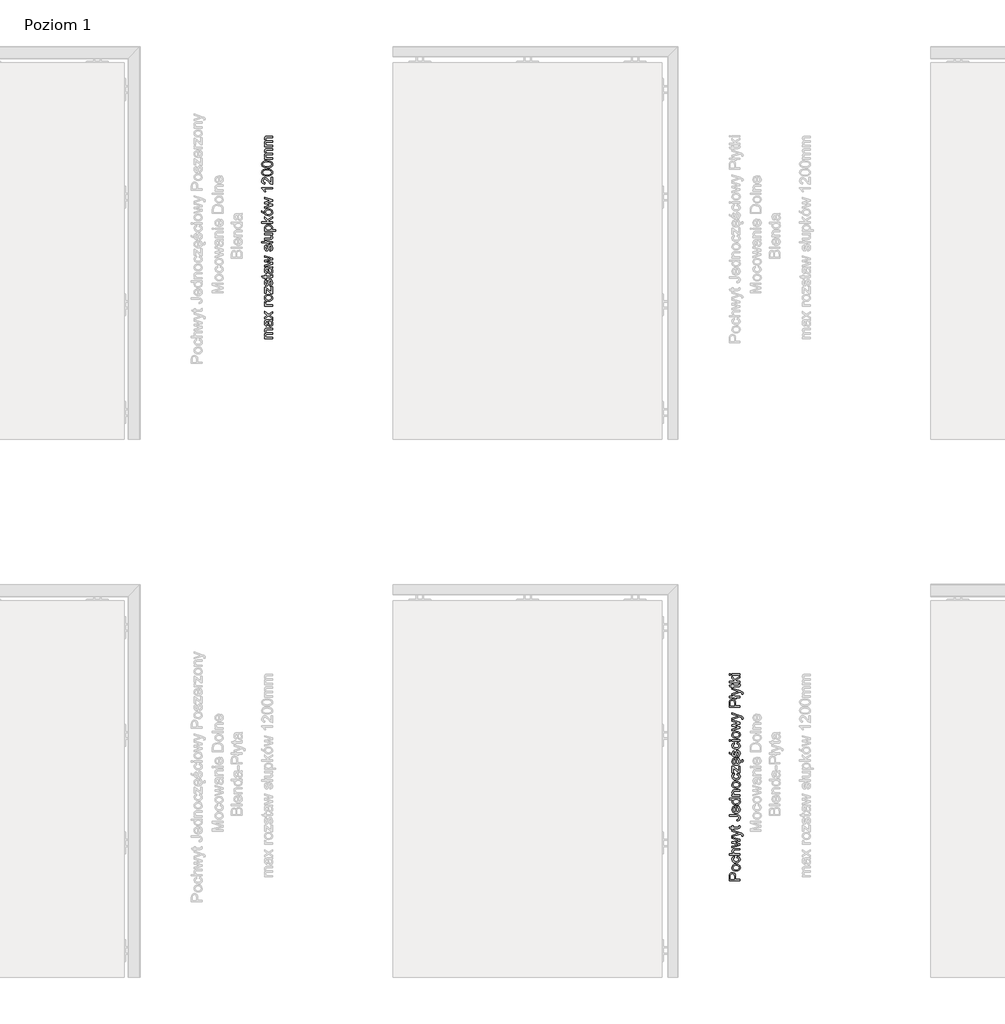
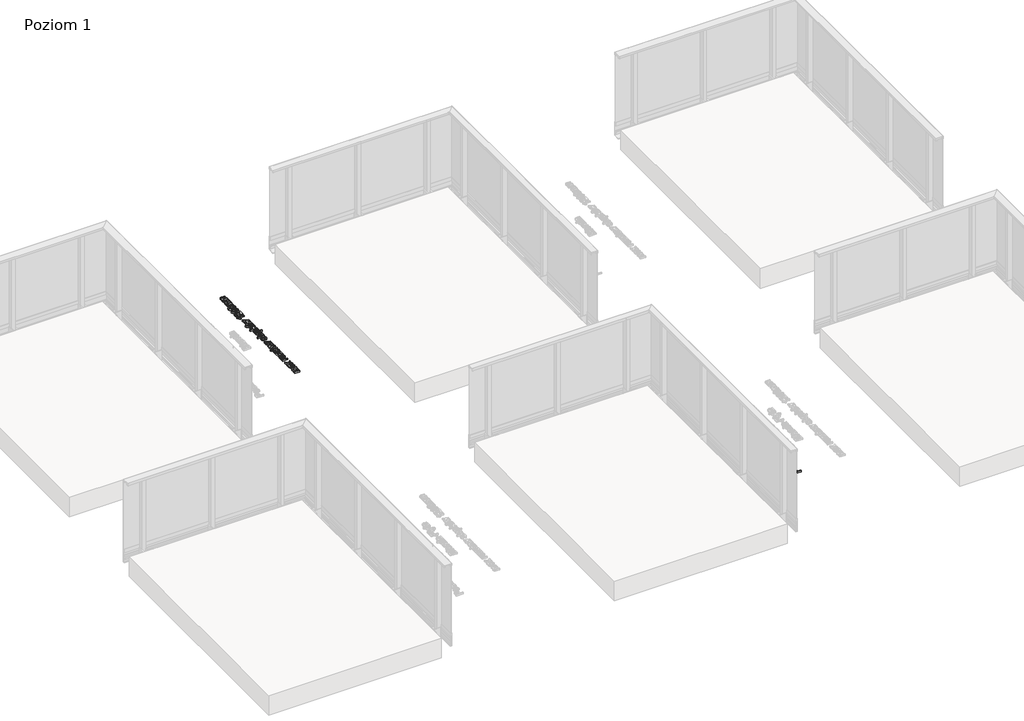
# One storey, part 17 of 35: 2 proxies.
"""IFC4 building model written with IfcOpenShell, lengths in millimetres."""

from ifc_helpers import new_model, si_unit, origin, origin_with_axes, place, context, project, spatial, polyline, outline, extrude, element, save

model = new_model("IFC4")

# Units and contexts
model_context = context("Model", 3, world=origin())
ifc_project = project(units=[si_unit("LENGTHUNIT", "METRE", prefix="MILLI")], contexts=[model_context])

# Site, building, storey
site = spatial("IfcSite", under=ifc_project)
building = spatial("IfcBuilding", under=site)
storey = spatial("IfcBuildingStorey", under=building, Name="Poziom 1", Elevation=0.0)

# Proxies
placement = place(None, origin())
element("IfcBuildingElementProxy", 1, Name="Generic Models", at=placement, inside=storey, context=model_context, shape_type="SweptSolid", body=[
    extrude(outline(polyline([(10115.5993765, -8730.4161008), (10015.1430664, -8730.4161008), (10015.1430664, -8693.1864429), (10016.0995596, -8678.1768575), (10020.7961864, -8665.975438), (10030.508271, -8658.0659751), (10044.205744, -8655.0738682), (10056.0454129, -8657.0941535), (10065.9107817, -8663.1550093), (10072.5694458, -8674.4888405), (10074.7890005, -8692.3280515), (10074.7890005, -8717.859062), (10115.5993765, -8717.859062), (10115.5993765, -8730.4161008)]), holes=[polyline([(10062.2319618, -8717.859062), (10062.2319618, -8691.5922876), (10057.6211741, -8673.1000859), (10052.0722873, -8668.9982017), (10044.6472024, -8667.6309069), (10034.2484047, -8670.8560058), (10028.5584965, -8679.3295544), (10027.7001052, -8691.8865932), (10027.7001052, -8717.859062), (10062.2319618, -8717.859062)])]), origin_with_axes(), (0.0, 0.0, 1.0), 20.0),
    extrude(outline(polyline([(10078.7130752, -8642.5168294), (10060.9259807, -8639.800634), (10048.4241242, -8631.6520478), (10042.298889, -8621.5843439), (10040.2571439, -8609.5300772), (10042.7434131, -8596.338442), (10050.2022205, -8585.8016885), (10062.0449551, -8578.894704), (10077.6830056, -8576.5923759), (10100.0257054, -8580.6636033), (10112.6685833, -8592.5216663), (10117.1690064, -8609.5300772), (10114.6919343, -8622.8811279), (10107.260718, -8633.4056187), (10095.1696631, -8640.2390267), (10078.7130752, -8642.5168294)]), holes=[polyline([(10078.6885497, -8629.9597906), (10090.0530377, -8628.5066567), (10098.1495072, -8624.1472551), (10102.9963525, -8617.5866929), (10104.6119676, -8609.5300772), (10102.9871555, -8601.5102497), (10098.112719, -8594.9619502), (10089.9089505, -8590.6025485), (10078.2961422, -8589.1494146), (10067.2627481, -8590.6117456), (10059.2766431, -8594.9987384), (10054.4297978, -8601.5562349), (10052.8141827, -8609.5300772), (10054.4236664, -8617.5866929), (10059.2521176, -8624.1472551), (10067.3301931, -8628.5066567), (10078.6885497, -8629.9597906)])]), origin_with_axes(), (0.0, 0.0, 1.0), 20.0),
    extrude(outline(polyline([(10088.9156692, -8515.3768119), (10090.485299, -8502.8197731), (10101.6535832, -8506.3207834), (10110.0934093, -8512.8997398), (10115.4001071, -8521.9373741), (10117.1690064, -8532.8144184), (10114.7011313, -8546.1716005), (10107.2975062, -8556.6163835), (10095.2830934, -8563.3578211), (10078.9828553, -8565.6049669), (10058.1239462, -8561.7667315), (10044.7207788, -8550.068084), (10040.2571439, -8532.9860967), (10041.7899856, -8522.3757668), (10046.3885105, -8513.8930212), (10053.8074641, -8507.8076398), (10063.8015916, -8504.3894029), (10065.3712215, -8516.9464417), (10055.9657051, -8522.77124), (10052.8141827, -8532.8879948), (10054.3654184, -8541.0028585), (10059.0191257, -8547.4438591), (10067.0266904, -8551.6469109), (10078.6394988, -8553.0479282), (10090.4086569, -8551.6775677), (10098.4438128, -8547.5664864), (10103.0699289, -8541.2419818), (10104.6119676, -8533.2313514), (10100.7614694, -8521.3978139), (10088.9156692, -8515.3768119)])), origin_with_axes(), (0.0, 0.0, 1.0), 20.0),
    extrude(outline(polyline([(10115.5993765, -8491.8323642), (10015.1430664, -8491.8323642), (10015.1430664, -8479.2753254), (10052.0784187, -8479.2753254), (10043.2124626, -8469.483533), (10040.2571439, -8457.4231349), (10043.4822427, -8443.3209917), (10052.3972498, -8434.761604), (10068.9028886, -8432.18643), (10115.5993765, -8432.18643), (10115.5993765, -8444.7434688), (10070.2027383, -8444.7434688), (10056.9589865, -8448.7411198), (10052.8141827, -8460.0718853), (10055.6100859, -8470.3603184), (10063.188455, -8477.227449), (10076.4076813, -8479.2753254), (10115.5993765, -8479.2753254), (10115.5993765, -8491.8323642)])), origin_with_axes(), (0.0, 0.0, 1.0), 20.0),
    extrude(outline(polyline([(10115.5993765, -8402.682294), (10041.8267738, -8425.1230957), (10041.8267738, -8412.0755476), (10084.8689672, -8399.3468306), (10100.2464346, -8395.5453833), (10085.4330529, -8392.4306491), (10041.8267738, -8382.3016315), (10041.8267738, -8367.341097), (10085.3104256, -8357.2611303), (10098.7258557, -8354.4897526), (10084.5746616, -8350.5166271), (10041.8267738, -8337.7633846), (10041.8267738, -8324.6667856), (10115.5993765, -8347.2792655), (10115.5993765, -8362.4605292), (10072.3364539, -8372.0990375), (10058.8474474, -8374.8949406), (10115.5993765, -8387.3293521), (10115.5993765, -8402.682294)])), origin_with_axes(), (0.0, 0.0, 1.0), 20.0),
    extrude(outline(polyline([(10143.8527138, -8316.0338214), (10131.7616589, -8317.6034513), (10132.8653048, -8311.22683), (10131.479616, -8305.2671417), (10127.616855, -8301.6128472), (10118.3707542, -8298.1792819), (10115.3295964, -8297.1982633), (10041.8267738, -8323.8819706), (10041.8267738, -8310.6382188), (10082.7843026, -8296.4870247), (10099.1673141, -8291.557406), (10084.6972889, -8286.6277873), (10041.8267738, -8272.0841857), (10041.8267738, -8258.9385358), (10117.3652101, -8284.616699), (10133.7482216, -8291.2876259), (10142.601915, -8298.5716894), (10145.4223436, -8308.3573504), (10143.8527138, -8316.0338214)])), origin_with_axes(), (0.0, 0.0, 1.0), 20.0),
    extrude(outline(polyline([(10105.1270024, -8221.8560306), (10115.9672585, -8220.2864008), (10117.1690064, -8229.6796544), (10115.0843417, -8240.2010795), (10109.6151627, -8245.4495293), (10095.3658668, -8246.9701082), (10054.3838125, -8246.9701082), (10054.3838125, -8256.3878873), (10041.8267738, -8256.3878873), (10041.8267738, -8246.9701082), (10023.8986579, -8246.9701082), (10016.5164925, -8234.4130694), (10041.8267738, -8234.4130694), (10041.8267738, -8221.8560306), (10054.3838125, -8221.8560306), (10054.3838125, -8234.4130694), (10094.9979848, -8234.4130694), (10101.4727079, -8233.7508818), (10103.765839, -8231.6049035), (10104.6119676, -8227.3252096), (10105.1270024, -8221.8560306)])), origin_with_axes(), (0.0, 0.0, 1.0), 20.0),
    extrude(outline(polyline([(10087.3950902, -8174.7671353), (10085.7764095, -8162.2100965), (10100.6143166, -8157.9181399), (10104.6119676, -8147.3231384), (10102.343362, -8138.7269625), (10096.1629445, -8133.7482928), (10083.7162703, -8132.3871294), (10015.1430664, -8132.3871294), (10015.1430664, -8119.8300907), (10083.4955411, -8119.8300907), (10103.0055496, -8122.8589857), (10113.5392374, -8132.4729686), (10117.1690064, -8147.9117496), (10115.2958739, -8159.5184266), (10109.6764764, -8168.0471575), (10100.3598649, -8173.2220309), (10087.3950902, -8174.7671353)])), origin_with_axes(), (0.0, 0.0, 1.0), 20.0),
    extrude(outline(polyline([(10093.6245587, -8047.7742705), (10095.1941885, -8035.4624864), (10104.4709462, -8039.8985301), (10111.4055218, -8046.9771929), (10115.7281352, -8056.5390591), (10117.1690064, -8068.4247132), (10114.6827372, -8083.1583871), (10107.2239298, -8094.4952839), (10095.276962, -8101.7241651), (10079.3262118, -8104.1337922), (10062.8389671, -8101.6996397), (10050.5087889, -8094.3971821), (10042.8200552, -8083.2135694), (10040.2571439, -8069.1359517), (10042.8139238, -8055.4967267), (10050.4842634, -8044.5982226), (10062.7899161, -8037.4521149), (10079.2526354, -8035.070079), (10082.6371498, -8035.1436554), (10082.6371498, -8091.5767534), (10092.0365347, -8089.403184), (10098.9465849, -8084.3540036), (10103.1956219, -8077.0668744), (10104.6119676, -8068.1794585), (10101.9877427, -8055.8676744), (10093.6245587, -8047.7742705)]), holes=[polyline([(10070.080111, -8091.5767534), (10070.080111, -8047.6271177), (10058.7002946, -8052.6548383), (10054.2857107, -8059.97569), (10052.8141827, -8069.1850026), (10057.5108095, -8084.6483092), (10063.0014483, -8089.5135486), (10070.080111, -8091.5767534)])]), origin_with_axes(), (0.0, 0.0, 1.0), 20.0),
    extrude(outline(polyline([(10115.5993765, -7976.9937747), (10103.7535763, -7976.9937747), (10113.8151489, -7985.3017764), (10117.1690064, -7996.785826), (10112.312964, -8012.3349717), (10098.7626439, -8023.3223806), (10078.7866516, -8027.2219297), (10058.7983965, -8023.6289489), (10045.0396099, -8012.8622692), (10040.2571439, -7996.8348769), (10043.6784465, -7985.2588568), (10052.568928, -7976.9937747), (10015.1430664, -7976.9937747), (10015.1430664, -7964.4367359), (10115.5993765, -7964.4367359), (10115.5993765, -7976.9937747)]), holes=[polyline([(10078.7376006, -8014.664891), (10090.0959572, -8013.2485453), (10098.1740327, -8008.9995082), (10103.0024839, -8002.8252221), (10104.6119676, -7995.6331291), (10103.0760603, -7988.4441018), (10098.4683383, -7982.4261655), (10090.7029625, -7978.3518724), (10079.6940938, -7976.9937747), (10067.6582212, -7978.3763978), (10059.3134313, -7982.5242673), (10054.4389948, -7988.6954878), (10052.8141827, -7996.1481639), (10054.3746155, -8003.4138333), (10059.0559139, -8009.3673902), (10067.0972012, -8013.3405158), (10078.7376006, -8014.664891)])]), origin_with_axes(), (0.0, 0.0, 1.0), 20.0),
    extrude(outline(polyline([(10115.5993765, -7945.6011777), (10041.8267738, -7945.6011777), (10041.8267738, -7933.044139), (10052.1274696, -7933.044139), (10043.2247253, -7923.4424189), (10040.2571439, -7910.3335571), (10042.6483769, -7898.4754942), (10048.9268963, -7890.3820903), (10058.1607344, -7886.6174312), (10070.3008402, -7885.9552436), (10115.5993765, -7885.9552436), (10115.5993765, -7898.5122824), (10071.9930974, -7898.5122824), (10060.8830611, -7899.9592849), (10055.0092119, -7905.0728446), (10052.8141827, -7913.693546), (10057.7438014, -7927.3174426), (10064.8868435, -7931.6124649), (10076.4567322, -7933.044139), (10115.5993765, -7933.044139), (10115.5993765, -7945.6011777)])), origin_with_axes(), (0.0, 0.0, 1.0), 20.0),
    extrude(outline(polyline([(10078.7130752, -7871.828575), (10060.9259807, -7869.1123796), (10048.4241242, -7860.9637934), (10042.298889, -7850.8960894), (10040.2571439, -7838.8418227), (10042.7434131, -7825.6501875), (10050.2022205, -7815.113434), (10062.0449551, -7808.2064496), (10077.6830056, -7805.9041214), (10100.0257054, -7809.9753488), (10112.6685833, -7821.8334118), (10117.1690064, -7838.8418227), (10114.6919343, -7852.1928735), (10107.260718, -7862.7173642), (10095.1696631, -7869.5507723), (10078.7130752, -7871.828575)]), holes=[polyline([(10078.6885497, -7859.2715362), (10090.0530377, -7857.8184023), (10098.1495072, -7853.4590007), (10102.9963525, -7846.8984384), (10104.6119676, -7838.8418227), (10102.9871555, -7830.8219952), (10098.112719, -7824.2736957), (10089.9089505, -7819.9142941), (10078.2961422, -7818.4611602), (10067.2627481, -7819.9234911), (10059.2766431, -7824.3104839), (10054.4297978, -7830.8679805), (10052.8141827, -7838.8418227), (10054.4236664, -7846.8984384), (10059.2521176, -7853.4590007), (10067.3301931, -7857.8184023), (10078.6885497, -7859.2715362)])]), origin_with_axes(), (0.0, 0.0, 1.0), 20.0),
    extrude(outline(polyline([(10088.9156692, -7744.6885574), (10090.485299, -7732.1315187), (10101.6535832, -7735.632529), (10110.0934093, -7742.2114853), (10115.4001071, -7751.2491197), (10117.1690064, -7762.126164), (10114.7011313, -7775.4833461), (10107.2975062, -7785.9281291), (10095.2830934, -7792.6695667), (10078.9828553, -7794.9167125), (10058.1239462, -7791.078477), (10044.7207788, -7779.3798296), (10040.2571439, -7762.2978423), (10041.7899856, -7751.6875124), (10046.3885105, -7743.2047667), (10053.8074641, -7737.1193854), (10063.8015916, -7733.7011485), (10065.3712215, -7746.2581873), (10055.9657051, -7752.0829855), (10052.8141827, -7762.1997404), (10054.3654184, -7770.3146041), (10059.0191257, -7776.7556047), (10067.0266904, -7780.9586565), (10078.6394988, -7782.3596737), (10090.4086569, -7780.9893133), (10098.4438128, -7776.878232), (10103.0699289, -7770.5537274), (10104.6119676, -7762.5430969), (10100.7614694, -7750.7095594), (10088.9156692, -7744.6885574)])), origin_with_axes(), (0.0, 0.0, 1.0), 20.0),
    extrude(outline(polyline([(10115.5993765, -7728.992259), (10103.7781018, -7728.992259), (10054.3838125, -7685.6557599), (10054.3838125, -7698.4825788), (10054.3838125, -7725.8529993), (10041.8267738, -7725.8529993), (10041.8267738, -7667.776695), (10052.4953516, -7667.776695), (10096.32236, -7706.2081007), (10103.0423378, -7712.0942127), (10103.0423378, -7697.5751366), (10103.0423378, -7666.2070651), (10115.5993765, -7666.2070651), (10115.5993765, -7728.992259)])), origin_with_axes(), (0.0, 0.0, 1.0), 20.0),
    extrude(outline(polyline([(10093.6245587, -7601.9993942), (10095.1941885, -7589.6876101), (10104.4709462, -7594.1236539), (10111.4055218, -7601.2023166), (10115.768218, -7611.0948233), (10121.6694295, -7616.9721914), (10128.9902812, -7619.1181697), (10133.9689508, -7617.5853281), (10136.0045645, -7612.6189212), (10135.5631061, -7609.4796615), (10134.3858838, -7606.561131), (10143.0433734, -7606.561131), (10145.4223436, -7615.3657734), (10144.4167995, -7621.1415207), (10141.6454218, -7625.2617991), (10137.5864571, -7627.7266084), (10132.6691011, -7628.5359488), (10123.7540941, -7626.0834022), (10116.8755159, -7620.228853), (10117.1690064, -7622.6498369), (10114.6827372, -7637.3835108), (10107.2239298, -7648.7204076), (10095.276962, -7655.9492888), (10079.3262118, -7658.3589159), (10062.8389671, -7655.9247634), (10050.5087889, -7648.6223058), (10042.8200552, -7637.4386931), (10040.2571439, -7623.3610754), (10042.8139238, -7609.7218505), (10050.4842634, -7598.8233463), (10062.7899161, -7591.6772386), (10079.2526354, -7589.2952027), (10082.6371498, -7589.3687791), (10082.6371498, -7645.8018771), (10092.0365347, -7643.6283077), (10098.9465849, -7638.5791273), (10103.1956219, -7631.2919981), (10104.6119676, -7622.4045822), (10101.9877427, -7610.0927981), (10093.6245587, -7601.9993942)]), holes=[polyline([(10070.080111, -7645.8018771), (10070.080111, -7601.8522414), (10058.7002946, -7606.879962), (10054.2857107, -7614.2008137), (10052.8141827, -7623.4101264), (10057.5108095, -7638.8734329), (10063.0014483, -7643.7386723), (10070.080111, -7645.8018771)])]), origin_with_axes(), (0.0, 0.0, 1.0), 20.0),
    extrude(outline(polyline([(10093.6245587, -7581.4470534), (10092.0549288, -7568.8900147), (10101.3746061, -7563.0774792), (10104.6119676, -7549.7601509), (10101.6443862, -7536.9578575), (10094.6791537, -7532.7885282), (10089.0382965, -7536.982383), (10085.4575784, -7549.9073037), (10079.3139491, -7568.8164383), (10072.1402502, -7577.0692577), (10062.0112326, -7579.8774236), (10052.6547672, -7577.6210807), (10045.5055937, -7571.4651886), (10041.7899856, -7563.4821493), (10040.2571439, -7552.6786814), (10042.7219533, -7537.3993159), (10049.3928801, -7527.6872312), (10060.6623319, -7523.3707491), (10062.2319618, -7535.9277879), (10055.3035175, -7540.6489402), (10052.8141827, -7551.6976628), (10055.1931529, -7563.7151413), (10060.7359083, -7567.3203848), (10064.3902028, -7565.8243314), (10067.1615805, -7561.1399673), (10069.8348563, -7550.3242367), (10075.7454937, -7531.8933487), (10082.440946, -7523.3339609), (10093.3547786, -7520.2314894), (10105.3722571, -7523.8735212), (10114.0910604, -7534.3826835), (10117.1690064, -7549.9318292), (10115.6852157, -7562.5931012), (10111.2338435, -7571.8330706), (10103.8639409, -7578.0012254), (10093.6245587, -7581.4470534)])), origin_with_axes(), (0.0, 0.0, 1.0), 20.0),
    extrude(outline(polyline([(10033.9786245, -7562.6114953), (10015.1430664, -7553.1937162), (10015.1430664, -7537.4974178), (10033.9786245, -7553.1937162), (10033.9786245, -7562.6114953)])), origin_with_axes(), (0.0, 0.0, 1.0), 20.0),
    extrude(outline(polyline([(10088.9156692, -7459.0159254), (10090.485299, -7446.4588867), (10101.6535832, -7449.959897), (10110.0934093, -7456.5388533), (10115.4001071, -7465.5764877), (10117.1690064, -7476.453532), (10114.7011313, -7489.8107141), (10107.2975062, -7500.2554971), (10095.2830934, -7506.9969347), (10078.9828553, -7509.2440805), (10058.1239462, -7505.405845), (10044.7207788, -7493.7071976), (10040.2571439, -7476.6252103), (10041.7899856, -7466.0148804), (10046.3885105, -7457.5321347), (10053.8074641, -7451.4467534), (10063.8015916, -7448.0285165), (10065.3712215, -7460.5855553), (10055.9657051, -7466.4103536), (10052.8141827, -7476.5271084), (10054.3654184, -7484.6419721), (10059.0191257, -7491.0829727), (10067.0266904, -7495.2860245), (10078.6394988, -7496.6870418), (10090.4086569, -7495.3166813), (10098.4438128, -7491.2056), (10103.0699289, -7484.8810954), (10104.6119676, -7476.8704649), (10100.7614694, -7465.0369274), (10088.9156692, -7459.0159254)])), origin_with_axes(), (0.0, 0.0, 1.0), 20.0),
    extrude(outline(polyline([(10027.7001052, -7435.4714778), (10015.1430664, -7435.4714778), (10015.1430664, -7422.914439), (10027.7001052, -7422.914439), (10027.7001052, -7435.4714778)])), origin_with_axes(), (0.0, 0.0, 1.0), 20.0),
    extrude(outline(polyline([(10115.5993765, -7435.4714778), (10041.8267738, -7435.4714778), (10041.8267738, -7422.914439), (10115.5993765, -7422.914439), (10115.5993765, -7435.4714778)])), origin_with_axes(), (0.0, 0.0, 1.0), 20.0),
    extrude(outline(polyline([(10078.7130752, -7407.2181405), (10060.9259807, -7404.5019451), (10048.4241242, -7396.3533589), (10042.298889, -7386.285655), (10040.2571439, -7374.2313883), (10042.7434131, -7361.0397531), (10050.2022205, -7350.5029996), (10062.0449551, -7343.5960151), (10077.6830056, -7341.293687), (10100.0257054, -7345.3649144), (10112.6685833, -7357.2229774), (10117.1690064, -7374.2313883), (10114.6919343, -7387.582439), (10107.260718, -7398.1069298), (10095.1696631, -7404.9403378), (10078.7130752, -7407.2181405)]), holes=[polyline([(10078.6885497, -7394.6611018), (10090.0530377, -7393.2079679), (10098.1495072, -7388.8485662), (10102.9963525, -7382.288004), (10104.6119676, -7374.2313883), (10102.9871555, -7366.2115608), (10098.112719, -7359.6632613), (10089.9089505, -7355.3038596), (10078.2961422, -7353.8507258), (10067.2627481, -7355.3130567), (10059.2766431, -7359.7000495), (10054.4297978, -7366.257546), (10052.8141827, -7374.2313883), (10054.4236664, -7382.288004), (10059.2521176, -7388.8485662), (10067.3301931, -7393.2079679), (10078.6885497, -7394.6611018)])]), origin_with_axes(), (0.0, 0.0, 1.0), 20.0),
    extrude(outline(polyline([(10115.5993765, -7314.9288107), (10041.8267738, -7337.3696124), (10041.8267738, -7324.3220643), (10084.8689672, -7311.5933472), (10100.2464346, -7307.7919), (10085.4330529, -7304.6771657), (10041.8267738, -7294.5481481), (10041.8267738, -7279.5876137), (10085.3104256, -7269.507647), (10098.7258557, -7266.7362693), (10084.5746616, -7262.7631438), (10041.8267738, -7250.0099013), (10041.8267738, -7236.9133022), (10115.5993765, -7259.5257822), (10115.5993765, -7274.7070459), (10072.3364539, -7284.3455541), (10058.8474474, -7287.1414573), (10115.5993765, -7299.5758687), (10115.5993765, -7314.9288107)])), origin_with_axes(), (0.0, 0.0, 1.0), 20.0),
    extrude(outline(polyline([(10143.8527138, -7228.2803381), (10131.7616589, -7229.8499679), (10132.8653048, -7223.4733467), (10131.479616, -7217.5136583), (10127.616855, -7213.8593639), (10118.3707542, -7210.4257986), (10115.3295964, -7209.4447799), (10041.8267738, -7236.1284873), (10041.8267738, -7222.8847355), (10082.7843026, -7208.7335414), (10099.1673141, -7203.8039227), (10084.6972889, -7198.8743039), (10041.8267738, -7184.3307024), (10041.8267738, -7171.1850524), (10117.3652101, -7196.8632157), (10133.7482216, -7203.5341425), (10142.601915, -7210.818206), (10145.4223436, -7220.6038671), (10143.8527138, -7228.2803381)])), origin_with_axes(), (0.0, 0.0, 1.0), 20.0),
    extrude(outline(polyline([(10115.5993765, -7119.9758787), (10015.1430664, -7119.9758787), (10015.1430664, -7082.7462208), (10016.0995596, -7067.7366354), (10020.7961864, -7055.5352159), (10030.508271, -7047.625753), (10044.205744, -7044.6336461), (10056.0454129, -7046.6539314), (10065.9107817, -7052.7147872), (10072.5694458, -7064.0486184), (10074.7890005, -7081.8878295), (10074.7890005, -7107.4188399), (10115.5993765, -7107.4188399), (10115.5993765, -7119.9758787)]), holes=[polyline([(10062.2319618, -7107.4188399), (10062.2319618, -7081.1520655), (10057.6211741, -7062.6598638), (10052.0722873, -7058.5579796), (10044.6472024, -7057.1906848), (10034.2484047, -7060.4157837), (10028.5584965, -7068.8893323), (10027.7001052, -7081.4463711), (10027.7001052, -7107.4188399), (10062.2319618, -7107.4188399)])]), origin_with_axes(), (0.0, 0.0, 1.0), 20.0),
    extrude(outline(polyline([(10075.8926465, -7028.9373476), (10083.4219647, -7038.3551267), (10069.2952961, -7038.3551267), (10061.7659779, -7028.9373476), (10015.1430664, -7028.9373476), (10015.1430664, -7016.3803089), (10051.7105367, -7016.3803089), (10044.1812185, -7006.9625298), (10058.3078872, -7006.9625298), (10065.8372053, -7016.3803089), (10115.5993765, -7016.3803089), (10115.5993765, -7028.9373476), (10075.8926465, -7028.9373476)])), origin_with_axes(), (0.0, 0.0, 1.0), 20.0),
    extrude(outline(polyline([(10143.8527138, -6997.5447507), (10131.7616589, -6999.1143805), (10132.8653048, -6992.7377593), (10131.479616, -6986.778071), (10127.616855, -6983.1237765), (10118.3707542, -6979.6902112), (10115.3295964, -6978.7091925), (10041.8267738, -7005.3928999), (10041.8267738, -6992.1491481), (10082.7843026, -6977.997954), (10099.1673141, -6973.0683353), (10084.6972889, -6968.1387166), (10041.8267738, -6953.595115), (10041.8267738, -6940.449465), (10117.3652101, -6966.1276283), (10133.7482216, -6972.7985552), (10142.601915, -6980.0826187), (10145.4223436, -6989.8682797), (10143.8527138, -6997.5447507)])), origin_with_axes(), (0.0, 0.0, 1.0), 20.0),
    extrude(outline(polyline([(10105.1270024, -6903.3669599), (10115.9672585, -6901.7973301), (10117.1690064, -6911.1905837), (10115.0843417, -6921.7120088), (10109.6151627, -6926.9604586), (10095.3658668, -6928.4810375), (10054.3838125, -6928.4810375), (10054.3838125, -6937.8988165), (10041.8267738, -6937.8988165), (10041.8267738, -6928.4810375), (10023.8986579, -6928.4810375), (10016.5164925, -6915.9239987), (10041.8267738, -6915.9239987), (10041.8267738, -6903.3669599), (10054.3838125, -6903.3669599), (10054.3838125, -6915.9239987), (10094.9979848, -6915.9239987), (10101.4727079, -6915.2618111), (10103.765839, -6913.1158328), (10104.6119676, -6908.8361389), (10105.1270024, -6903.3669599)])), origin_with_axes(), (0.0, 0.0, 1.0), 20.0),
    extrude(outline(polyline([(10115.5993765, -6890.8099212), (10015.1430664, -6890.8099212), (10015.1430664, -6878.2528824), (10069.1236178, -6878.2528824), (10041.8267738, -6850.097647), (10041.8267738, -6832.7336169), (10069.4669743, -6861.2322088), (10115.5993765, -6831.163987), (10115.5993765, -6845.8302159), (10078.1980404, -6870.2330549), (10085.9726132, -6878.2528824), (10115.5993765, -6878.2528824), (10115.5993765, -6890.8099212)])), origin_with_axes(), (0.0, 0.0, 1.0), 20.0),
    extrude(outline(polyline([(10027.7001052, -6820.1765781), (10015.1430664, -6820.1765781), (10015.1430664, -6807.6195393), (10027.7001052, -6807.6195393), (10027.7001052, -6820.1765781)])), origin_with_axes(), (0.0, 0.0, 1.0), 20.0),
    extrude(outline(polyline([(10115.5993765, -6820.1765781), (10041.8267738, -6820.1765781), (10041.8267738, -6807.6195393), (10115.5993765, -6807.6195393), (10115.5993765, -6820.1765781)])), origin_with_axes(), (0.0, 0.0, 1.0), 20.0),
])
element("IfcBuildingElementProxy", 2, Name="Generic Models", at=placement, inside=storey, context=model_context, shape_type="SweptSolid", body=[
    extrude(outline(polyline([(5769.7173752, -3695.0976583), (5695.9447724, -3695.0976583), (5695.9447724, -3682.5406196), (5708.0848783, -3682.5406196), (5698.1398017, -3673.9076554), (5694.3751426, -3661.6203968), (5698.2133781, -3649.0388325), (5708.9677951, -3642.122651), (5698.0233057, -3632.3247272), (5694.3751426, -3619.9516294), (5695.8926558, -3610.5123906), (5700.4451955, -3603.5318297), (5708.155389, -3599.2184133), (5719.1458636, -3597.7806079), (5769.7173752, -3597.7806079), (5769.7173752, -3610.3376466), (5724.5414662, -3610.3376466), (5714.0568293, -3611.5026063), (5708.8942187, -3615.7209865), (5706.9321813, -3622.8946854), (5711.959902, -3635.2432577), (5718.5020701, -3638.9312747), (5728.0731333, -3640.1606137), (5769.7173752, -3640.1606137), (5769.7173752, -3652.7176525), (5723.1435146, -3652.7176525), (5710.9788833, -3655.6239202), (5706.9321813, -3665.1520639), (5709.6299826, -3674.4472157), (5717.5271828, -3680.6276332), (5732.5122427, -3682.5406196), (5769.7173752, -3682.5406196), (5769.7173752, -3695.0976583)])), origin_with_axes(), (0.0, 0.0, 1.0), 20.0),
    extrude(outline(polyline([(5760.2995961, -3531.8561543), (5768.8099329, -3544.0330484), (5771.287005, -3557.4852667), (5769.797083, -3567.9791006), (5765.3273167, -3575.7199509), (5758.5398939, -3580.4932198), (5750.0970021, -3582.0843094), (5740.1641882, -3579.6808137), (5732.9537011, -3573.3655061), (5728.8334228, -3564.5731264), (5726.9449619, -3553.7083448), (5722.6284798, -3531.9297307), (5719.8325766, -3531.8561543), (5710.5619504, -3535.3142451), (5706.9321813, -3549.195659), (5709.3479398, -3561.8998506), (5717.9195903, -3567.9576408), (5716.3499604, -3580.5146796), (5704.0872273, -3575.0822888), (5696.9012656, -3564.1439308), (5694.3751426, -3547.5769783), (5696.60696, -3532.3589264), (5702.2110291, -3523.7627504), (5710.7336286, -3519.9122522), (5721.7210376, -3519.2991156), (5737.3437596, -3519.2991156), (5759.1591619, -3518.6614534), (5769.7173752, -3516.1598559), (5769.7173752, -3528.7168946), (5760.2995961, -3531.8561543)]), holes=[polyline([(5735.1855186, -3531.8561543), (5739.0360168, -3552.1141895), (5741.0716305, -3562.9176575), (5744.3825685, -3567.810488), (5749.2140853, -3569.5272706), (5756.0076395, -3565.787137), (5758.7299663, -3554.8119908), (5755.7255966, -3542.1077993), (5748.4537959, -3533.9162935), (5738.7417112, -3531.9297307), (5735.1855186, -3531.8561543)])]), origin_with_axes(), (0.0, 0.0, 1.0), 20.0),
    extrude(outline(polyline([(5769.7173752, -3509.8813365), (5732.6348701, -3483.0504763), (5695.9447724, -3508.3117066), (5695.9447724, -3493.2040194), (5713.6031082, -3481.0148626), (5721.9417668, -3475.3249544), (5715.1236871, -3470.3953357), (5695.9447724, -3456.5139217), (5695.9447724, -3441.4062344), (5732.6348701, -3467.942789), (5769.7173752, -3442.3872531), (5769.7173752, -3457.4949404), (5747.4237263, -3472.8724078), (5743.3524989, -3475.6928364), (5769.7173752, -3494.7736492), (5769.7173752, -3509.8813365)])), origin_with_axes(), (0.0, 0.0, 1.0), 20.0),
    extrude(outline(polyline([(5769.7173752, -3392.159098), (5695.9447724, -3392.159098), (5695.9447724, -3381.1716891), (5706.858605, -3381.1716891), (5696.8031637, -3373.3725908), (5694.3751426, -3365.5244416), (5698.2501663, -3352.9183519), (5709.5073553, -3357.1122066), (5706.9321813, -3365.9413745), (5709.4092535, -3373.041497), (5716.276384, -3377.5664456), (5730.9426129, -3379.6020593), (5769.7173752, -3379.6020593), (5769.7173752, -3392.159098)])), origin_with_axes(), (0.0, 0.0, 1.0), 20.0),
    extrude(outline(polyline([(5732.8310738, -3348.2094623), (5715.0439793, -3345.4932669), (5702.5421229, -3337.3446807), (5696.4168877, -3327.2769768), (5694.3751426, -3315.2227101), (5696.8614117, -3302.0310749), (5704.3202192, -3291.4943214), (5716.1629537, -3284.587337), (5731.8010042, -3282.2850088), (5754.1437041, -3286.3562362), (5766.786582, -3298.2142992), (5771.287005, -3315.2227101), (5768.8099329, -3328.5737608), (5761.3787166, -3339.0982516), (5749.2876617, -3345.9316596), (5732.8310738, -3348.2094623)]), holes=[polyline([(5732.8065483, -3335.6524236), (5744.1710363, -3334.1992897), (5752.2675059, -3329.839888), (5757.1143512, -3323.2793258), (5758.7299663, -3315.2227101), (5757.1051541, -3307.2028826), (5752.2307177, -3300.6545831), (5744.0269492, -3296.2951815), (5732.4141409, -3294.8420476), (5721.3807467, -3296.3043785), (5713.3946417, -3300.6913713), (5708.5477964, -3307.2488679), (5706.9321813, -3315.2227101), (5708.5416651, -3323.2793258), (5713.3701163, -3329.839888), (5721.4481917, -3334.1992897), (5732.8065483, -3335.6524236)])]), origin_with_axes(), (0.0, 0.0, 1.0), 20.0),
    extrude(outline(polyline([(5769.7173752, -3276.0064894), (5757.8961004, -3276.0064894), (5708.5018112, -3232.6699904), (5708.5018112, -3245.4968093), (5708.5018112, -3272.8672297), (5695.9447724, -3272.8672297), (5695.9447724, -3214.7909254), (5706.6133503, -3214.7909254), (5750.4403586, -3253.2223312), (5757.1603364, -3259.1084431), (5757.1603364, -3244.589367), (5757.1603364, -3213.2212956), (5769.7173752, -3213.2212956), (5769.7173752, -3276.0064894)])), origin_with_axes(), (0.0, 0.0, 1.0), 20.0),
    extrude(outline(polyline([(5747.7425573, -3205.3731463), (5746.1729275, -3192.8161076), (5755.4926047, -3187.003572), (5758.7299663, -3173.6862438), (5755.7623848, -3160.8839504), (5748.7971524, -3156.7146211), (5743.1562951, -3160.9084759), (5739.5755771, -3173.8333966), (5733.4319477, -3192.7425312), (5726.2582488, -3200.9953506), (5716.1292312, -3203.8035165), (5706.7727658, -3201.5471736), (5699.6235924, -3195.3912815), (5695.9079842, -3187.4082422), (5694.3751426, -3176.6047743), (5696.8399519, -3161.3254088), (5703.5108788, -3151.6133241), (5714.7803306, -3147.296842), (5716.3499604, -3159.8538808), (5709.4215162, -3164.5750331), (5706.9321813, -3175.6237557), (5709.3111516, -3187.6412342), (5714.853907, -3191.2464777), (5718.5082015, -3189.7504243), (5721.2795792, -3185.0660602), (5723.952855, -3174.2503296), (5729.8634924, -3155.8194416), (5736.5589447, -3147.2600538), (5747.4727772, -3144.1575823), (5759.4902557, -3147.7996141), (5768.209059, -3158.3087764), (5771.287005, -3173.8579221), (5769.8032143, -3186.5191941), (5765.3518422, -3195.7591635), (5757.9819395, -3201.9273183), (5747.7425573, -3205.3731463)])), origin_with_axes(), (0.0, 0.0, 1.0), 20.0),
    extrude(outline(polyline([(5759.2450011, -3103.3472063), (5770.0852572, -3101.7775765), (5771.287005, -3111.1708301), (5769.2023404, -3121.6922552), (5763.7331614, -3126.940705), (5749.4838655, -3128.4612839), (5708.5018112, -3128.4612839), (5708.5018112, -3137.879063), (5695.9447724, -3137.879063), (5695.9447724, -3128.4612839), (5678.0166565, -3128.4612839), (5670.6344912, -3115.9042451), (5695.9447724, -3115.9042451), (5695.9447724, -3103.3472063), (5708.5018112, -3103.3472063), (5708.5018112, -3115.9042451), (5749.1159835, -3115.9042451), (5755.5907066, -3115.2420575), (5757.8838377, -3113.0960792), (5758.7299663, -3108.8163853), (5759.2450011, -3103.3472063)])), origin_with_axes(), (0.0, 0.0, 1.0), 20.0),
    extrude(outline(polyline([(5760.2995961, -3043.7012722), (5768.8099329, -3055.8781662), (5771.287005, -3069.3303845), (5769.797083, -3079.8242184), (5765.3273167, -3087.5650688), (5758.5398939, -3092.3383376), (5750.0970021, -3093.9294273), (5740.1641882, -3091.5259316), (5732.9537011, -3085.210624), (5728.8334228, -3076.4182443), (5726.9449619, -3065.5534627), (5722.6284798, -3043.7748486), (5719.8325766, -3043.7012722), (5710.5619504, -3047.1593629), (5706.9321813, -3061.0407769), (5709.3479398, -3073.7449685), (5717.9195903, -3079.8027587), (5716.3499604, -3092.3597974), (5704.0872273, -3086.9274066), (5696.9012656, -3075.9890486), (5694.3751426, -3059.4220961), (5696.60696, -3044.2040443), (5702.2110291, -3035.6078683), (5710.7336286, -3031.7573701), (5721.7210376, -3031.1442334), (5737.3437596, -3031.1442334), (5759.1591619, -3030.5065713), (5769.7173752, -3028.0049737), (5769.7173752, -3040.5620125), (5760.2995961, -3043.7012722)]), holes=[polyline([(5735.1855186, -3043.7012722), (5739.0360168, -3063.9593074), (5741.0716305, -3074.7627753), (5744.3825685, -3079.6556059), (5749.2140853, -3081.3723885), (5756.0076395, -3077.6322549), (5758.7299663, -3066.6571087), (5755.7255966, -3053.9529171), (5748.4537959, -3045.7614114), (5738.7417112, -3043.7748486), (5735.1855186, -3043.7012722)])]), origin_with_axes(), (0.0, 0.0, 1.0), 20.0),
    extrude(outline(polyline([(5769.7173752, -3001.6400974), (5695.9447724, -3024.0808991), (5695.9447724, -3011.033351), (5738.9869659, -2998.304634), (5754.3644333, -2994.5031867), (5739.5510516, -2991.3884525), (5695.9447724, -2981.2594349), (5695.9447724, -2966.2989004), (5739.4284243, -2956.2189337), (5752.8438543, -2953.447556), (5738.6926603, -2949.4744305), (5695.9447724, -2936.721188), (5695.9447724, -2923.624589), (5769.7173752, -2946.2370689), (5769.7173752, -2961.4183326), (5726.4544526, -2971.0568409), (5712.9654461, -2973.852744), (5769.7173752, -2986.2871555), (5769.7173752, -3001.6400974)])), origin_with_axes(), (0.0, 0.0, 1.0), 20.0),
    extrude(outline(polyline([(5747.7425573, -2880.4597682), (5746.1729275, -2867.9027294), (5755.4926047, -2862.0901939), (5758.7299663, -2848.7728657), (5755.7623848, -2835.9705723), (5748.7971524, -2831.801243), (5743.1562951, -2835.9950977), (5739.5755771, -2848.9200185), (5733.4319477, -2867.829153), (5726.2582488, -2876.0819725), (5716.1292312, -2878.8901384), (5706.7727658, -2876.6337955), (5699.6235924, -2870.4779034), (5695.9079842, -2862.4948641), (5694.3751426, -2851.6913962), (5696.8399519, -2836.4120306), (5703.5108788, -2826.699946), (5714.7803306, -2822.3834639), (5716.3499604, -2834.9405027), (5709.4215162, -2839.6616549), (5706.9321813, -2850.7103775), (5709.3111516, -2862.727856), (5714.853907, -2866.3330996), (5718.5082015, -2864.8370461), (5721.2795792, -2860.1526821), (5723.952855, -2849.3369514), (5729.8634924, -2830.9060635), (5736.5589447, -2822.3466757), (5747.4727772, -2819.2442042), (5759.4902557, -2822.886236), (5768.209059, -2833.3953983), (5771.287005, -2848.9445439), (5769.8032143, -2861.6058159), (5765.3518422, -2870.8457854), (5757.9819395, -2877.0139402), (5747.7425573, -2880.4597682)])), origin_with_axes(), (0.0, 0.0, 1.0), 20.0),
    extrude(outline(polyline([(5730.0106452, -2805.1175356), (5737.5399633, -2814.5353147), (5723.4132947, -2814.5353147), (5715.8839766, -2805.1175356), (5669.261065, -2805.1175356), (5669.261065, -2792.5604968), (5705.8285354, -2792.5604968), (5698.2992172, -2783.1427177), (5712.4258858, -2783.1427177), (5719.955204, -2792.5604968), (5769.7173752, -2792.5604968), (5769.7173752, -2805.1175356), (5730.0106452, -2805.1175356)])), origin_with_axes(), (0.0, 0.0, 1.0), 20.0),
    extrude(outline(polyline([(5769.7173752, -2726.6360433), (5757.0377091, -2726.6360433), (5767.7246811, -2736.4707553), (5771.287005, -2749.2975742), (5768.7854075, -2761.1065862), (5762.5068881, -2769.2490411), (5753.2607873, -2772.9891747), (5741.5866653, -2773.7249387), (5695.9447724, -2773.7249387), (5695.9447724, -2761.1678999), (5735.6760279, -2761.1678999), (5748.4783213, -2760.4076104), (5755.9953768, -2755.4412035), (5758.7299663, -2746.0847381), (5755.9340631, -2735.6001012), (5748.3189058, -2728.671657), (5734.3271273, -2726.6360433), (5695.9447724, -2726.6360433), (5695.9447724, -2714.0790045), (5769.7173752, -2714.0790045), (5769.7173752, -2726.6360433)])), origin_with_axes(), (0.0, 0.0, 1.0), 20.0),
    extrude(outline(polyline([(5797.9707124, -2696.8130762), (5695.9447724, -2696.8130762), (5695.9447724, -2684.2560374), (5708.2565565, -2684.2560374), (5697.8454961, -2675.5740224), (5694.3751426, -2663.8508494), (5699.2311849, -2647.9338218), (5712.9163951, -2637.5350241), (5732.2669881, -2634.0278824), (5752.6108624, -2637.9887452), (5766.4677509, -2649.4911889), (5771.287005, -2665.3714284), (5768.0619062, -2676.2975236), (5759.9071887, -2684.2560374), (5797.9707124, -2684.2560374), (5797.9707124, -2696.8130762)]), holes=[polyline([(5733.419685, -2684.2560374), (5744.6768741, -2682.8979397), (5752.5495488, -2678.8236466), (5757.1848619, -2672.8118417), (5758.7299663, -2665.6412085), (5757.1296796, -2658.3540793), (5752.3288196, -2652.1889902), (5744.1679706, -2647.9859384), (5732.4877173, -2646.5849211), (5721.2918419, -2647.9522159), (5713.3088026, -2652.0541001), (5708.5263367, -2658.056708), (5706.9321813, -2665.1261737), (5708.6275042, -2672.2232305), (5713.7134728, -2678.4557647), (5722.0306716, -2682.8059692), (5733.419685, -2684.2560374)])]), origin_with_axes(), (0.0, 0.0, 1.0), 20.0),
    extrude(outline(polyline([(5769.7173752, -2619.9012138), (5669.261065, -2619.9012138), (5669.261065, -2607.344175), (5723.2416165, -2607.344175), (5695.9447724, -2579.1889396), (5695.9447724, -2561.8249094), (5723.584973, -2590.3235013), (5769.7173752, -2560.2552796), (5769.7173752, -2574.9215085), (5732.316039, -2599.3243475), (5740.0906118, -2607.344175), (5769.7173752, -2607.344175), (5769.7173752, -2619.9012138)])), origin_with_axes(), (0.0, 0.0, 1.0), 20.0),
    extrude(outline(polyline([(5732.8310738, -2552.4071304), (5715.0439793, -2549.690935), (5702.5421229, -2541.5423488), (5696.4168877, -2531.4746448), (5694.3751426, -2519.4203781), (5696.8614117, -2506.2287429), (5704.3202192, -2495.6919894), (5716.1629537, -2488.785005), (5731.8010042, -2486.4826768), (5754.1437041, -2490.5539042), (5766.786582, -2502.4119672), (5771.287005, -2519.4203781), (5768.8099329, -2532.7714289), (5761.3787166, -2543.2959196), (5749.2876617, -2550.1293277), (5732.8310738, -2552.4071304)]), holes=[polyline([(5732.8065483, -2539.8500916), (5744.1710363, -2538.3969577), (5752.2675059, -2534.0375561), (5757.1143512, -2527.4769938), (5758.7299663, -2519.4203781), (5757.1051541, -2511.4005506), (5752.2307177, -2504.8522511), (5744.0269492, -2500.4928495), (5732.4141409, -2499.0397156), (5721.3807467, -2500.5020465), (5713.3946417, -2504.8890393), (5708.5477964, -2511.4465359), (5706.9321813, -2519.4203781), (5708.5416651, -2527.4769938), (5713.3701163, -2534.0375561), (5721.4481917, -2538.3969577), (5732.8065483, -2539.8500916)])]), origin_with_axes(), (0.0, 0.0, 1.0), 20.0),
    extrude(outline(polyline([(5688.0966232, -2528.8626827), (5669.261065, -2519.4449036), (5669.261065, -2503.7486051), (5688.0966232, -2519.4449036), (5688.0966232, -2528.8626827)])), origin_with_axes(), (0.0, 0.0, 1.0), 20.0),
    extrude(outline(polyline([(5769.7173752, -2460.1178005), (5695.9447724, -2482.5586022), (5695.9447724, -2469.5110541), (5738.9869659, -2456.7823371), (5754.3644333, -2452.9808898), (5739.5510516, -2449.8661556), (5695.9447724, -2439.737138), (5695.9447724, -2424.7766035), (5739.4284243, -2414.6966368), (5752.8438543, -2411.9252591), (5738.6926603, -2407.9521336), (5695.9447724, -2395.1988911), (5695.9447724, -2382.1022921), (5769.7173752, -2404.714772), (5769.7173752, -2419.8960357), (5726.4544526, -2429.534544), (5712.9654461, -2432.3304471), (5769.7173752, -2444.7648586), (5769.7173752, -2460.1178005)])), origin_with_axes(), (0.0, 0.0, 1.0), 20.0),
    extrude(outline(polyline([(5769.7173752, -2290.2789461), (5769.7173752, -2302.8359848), (5691.4320866, -2302.8359848), (5699.9056352, -2314.730836), (5706.2454683, -2327.9500624), (5694.3751426, -2327.9500624), (5682.6274442, -2309.5436999), (5669.261065, -2298.37235), (5669.261065, -2290.2789461), (5769.7173752, -2290.2789461)])), origin_with_axes(), (0.0, 0.0, 1.0), 20.0),
    extrude(outline(polyline([(5757.1603364, -2196.1011553), (5769.7173752, -2196.1011553), (5769.7173752, -2262.0256088), (5761.0598856, -2260.6767082), (5747.7302946, -2253.0492882), (5733.1744303, -2237.3284642), (5712.2542075, -2215.647952), (5698.0294371, -2210.2278239), (5686.5147306, -2215.3413837), (5681.8181038, -2228.6955001), (5686.404366, -2242.6137022), (5699.0840321, -2247.8989402), (5697.5144023, -2260.455979), (5685.3681651, -2257.4117555), (5676.4960776, -2250.8297335), (5671.0698182, -2241.0532694), (5669.261065, -2228.42572), (5671.2721533, -2215.7062), (5677.305418, -2205.94813), (5686.3185269, -2199.7401214), (5697.2691476, -2197.6707852), (5709.1762615, -2199.9026026), (5721.4880456, -2207.3215562), (5738.6926603, -2225.3109857), (5750.7714524, -2239.7564854), (5757.1603364, -2245.4218681), (5757.1603364, -2196.1011553)])), origin_with_axes(), (0.0, 0.0, 1.0), 20.0),
    extrude(outline(polyline([(5720.2985605, -2183.5441165), (5691.3952984, -2179.8530339), (5674.730244, -2168.8901504), (5669.261065, -2150.5818898), (5672.4984266, -2135.9156609), (5681.8303665, -2125.7866433), (5696.6927992, -2119.9005314), (5720.2985605, -2117.619663), (5749.0791953, -2121.2739575), (5765.7810378, -2132.2000527), (5769.9105132, -2140.4314124), (5771.287005, -2150.5818898), (5768.8957721, -2163.6294379), (5761.7220732, -2173.5377263), (5744.7320564, -2181.042519), (5720.2985605, -2183.5441165)]), holes=[polyline([(5720.274035, -2170.9870778), (5740.0262325, -2169.5155498), (5751.4581655, -2165.1009658), (5756.9120161, -2158.5281409), (5758.7299663, -2150.5818898), (5756.9058847, -2142.6356387), (5751.43364, -2136.0628137), (5739.9955757, -2131.6482298), (5720.274035, -2130.1767018), (5700.9663617, -2131.5991788), (5689.4455238, -2135.86661), (5683.7249588, -2142.4271722), (5681.8181038, -2150.7290426), (5683.4980983, -2158.5894545), (5688.5380816, -2164.9047621), (5700.7762893, -2169.4664989), (5720.274035, -2170.9870778)])]), origin_with_axes(), (0.0, 0.0, 1.0), 20.0),
    extrude(outline(polyline([(5720.2985605, -2106.6322541), (5691.3952984, -2102.9411714), (5674.730244, -2091.9782879), (5669.261065, -2073.6700273), (5672.4984266, -2059.0037984), (5681.8303665, -2048.8747808), (5696.6927992, -2042.9886689), (5720.2985605, -2040.7078005), (5749.0791953, -2044.362095), (5765.7810378, -2055.2881903), (5769.9105132, -2063.5195499), (5771.287005, -2073.6700273), (5768.8957721, -2086.7175754), (5761.7220732, -2096.6258638), (5744.7320564, -2104.1306565), (5720.2985605, -2106.6322541)]), holes=[polyline([(5720.274035, -2094.0752153), (5740.0262325, -2092.6036873), (5751.4581655, -2088.1891034), (5756.9120161, -2081.6162784), (5758.7299663, -2073.6700273), (5756.9058847, -2065.7237762), (5751.43364, -2059.1509512), (5739.9955757, -2054.7363673), (5720.274035, -2053.2648393), (5700.9663617, -2054.6873164), (5689.4455238, -2058.9547475), (5683.7249588, -2065.5153098), (5681.8181038, -2073.8171801), (5683.4980983, -2081.6775921), (5688.5380816, -2087.9928997), (5700.7762893, -2092.5546364), (5720.274035, -2094.0752153)])]), origin_with_axes(), (0.0, 0.0, 1.0), 20.0),
    extrude(outline(polyline([(5769.7173752, -2026.5811319), (5695.9447724, -2026.5811319), (5695.9447724, -2014.0240932), (5708.0848783, -2014.0240932), (5698.1398017, -2005.391129), (5694.3751426, -1993.1038704), (5698.2133781, -1980.5223061), (5708.9677951, -1973.6061246), (5698.0233057, -1963.8082008), (5694.3751426, -1951.435103), (5695.8926558, -1941.9958642), (5700.4451955, -1935.0153033), (5708.155389, -1930.7018869), (5719.1458636, -1929.2640815), (5769.7173752, -1929.2640815), (5769.7173752, -1941.8211202), (5724.5414662, -1941.8211202), (5714.0568293, -1942.9860799), (5708.8942187, -1947.2044601), (5706.9321813, -1954.378159), (5711.959902, -1966.7267313), (5718.5020701, -1970.4147483), (5728.0731333, -1971.6440873), (5769.7173752, -1971.6440873), (5769.7173752, -1984.2011261), (5723.1435146, -1984.2011261), (5710.9788833, -1987.1073938), (5706.9321813, -1996.6355375), (5709.6299826, -2005.9306893), (5717.5271828, -2012.1111068), (5732.5122427, -2014.0240932), (5769.7173752, -2014.0240932), (5769.7173752, -2026.5811319)])), origin_with_axes(), (0.0, 0.0, 1.0), 20.0),
    extrude(outline(polyline([(5769.7173752, -1910.4285233), (5695.9447724, -1910.4285233), (5695.9447724, -1897.8714846), (5708.0848783, -1897.8714846), (5698.1398017, -1889.2385204), (5694.3751426, -1876.9512618), (5698.2133781, -1864.3696975), (5708.9677951, -1857.453516), (5698.0233057, -1847.6555922), (5694.3751426, -1835.2824944), (5695.8926558, -1825.8432556), (5700.4451955, -1818.8626947), (5708.155389, -1814.5492783), (5719.1458636, -1813.1114729), (5769.7173752, -1813.1114729), (5769.7173752, -1825.6685116), (5724.5414662, -1825.6685116), (5714.0568293, -1826.8334713), (5708.8942187, -1831.0518515), (5706.9321813, -1838.2255504), (5711.959902, -1850.5741227), (5718.5020701, -1854.2621397), (5728.0731333, -1855.4914787), (5769.7173752, -1855.4914787), (5769.7173752, -1868.0485175), (5723.1435146, -1868.0485175), (5710.9788833, -1870.9547852), (5706.9321813, -1880.4829289), (5709.6299826, -1889.7780807), (5717.5271828, -1895.9584982), (5732.5122427, -1897.8714846), (5769.7173752, -1897.8714846), (5769.7173752, -1910.4285233)])), origin_with_axes(), (0.0, 0.0, 1.0), 20.0),
])

save(model, "model.ifc")
